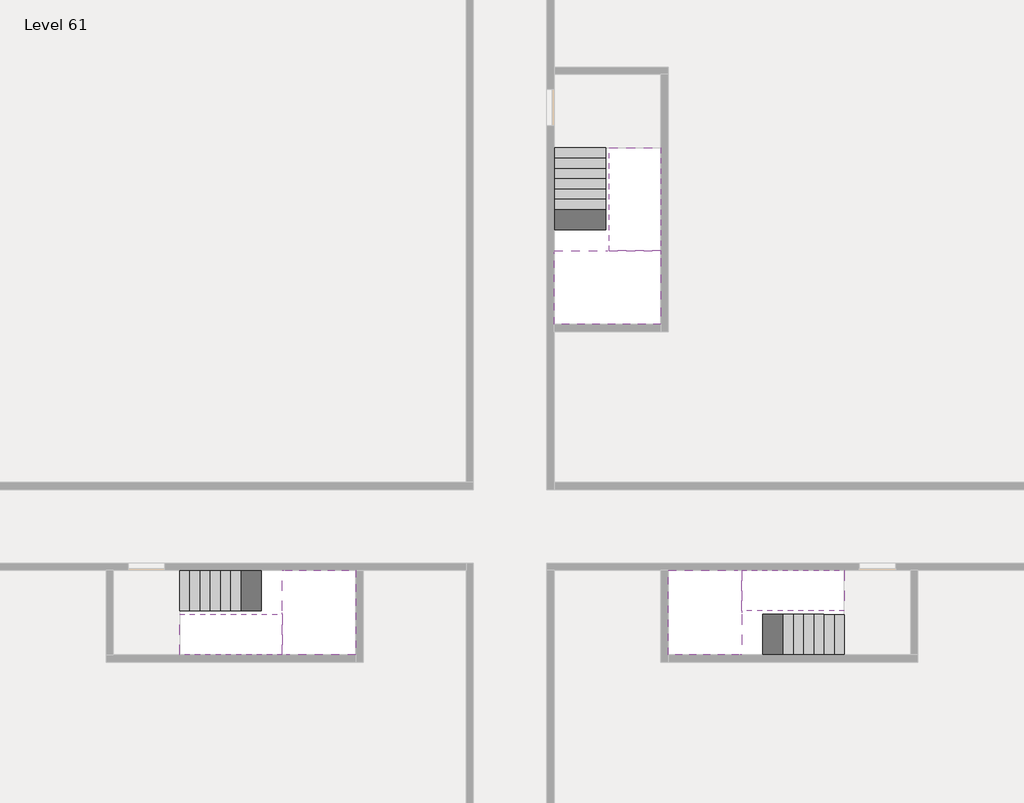
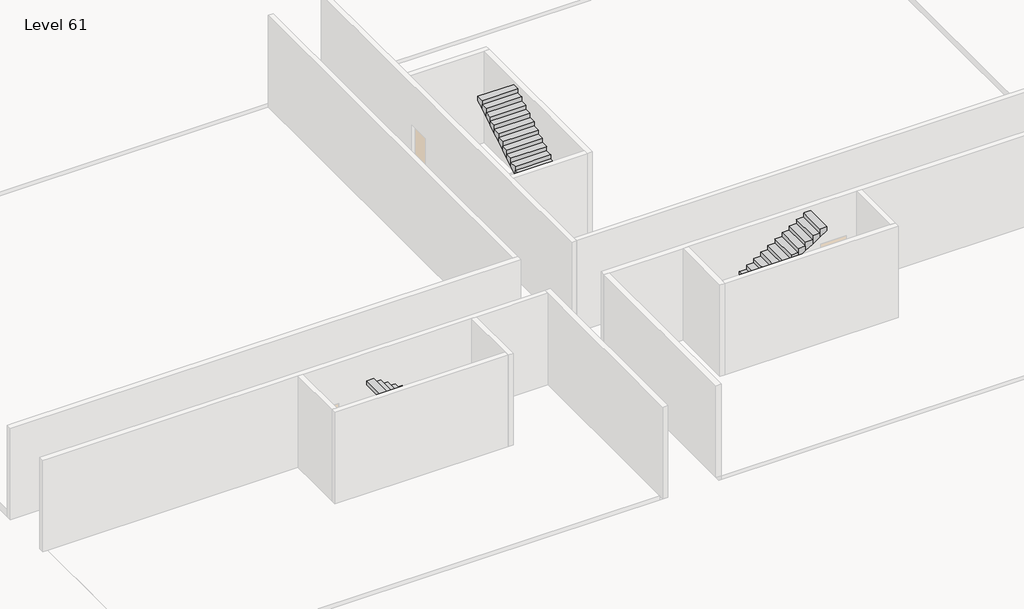
# One storey, part 2 of 2: 6 stair flights, 3 slabs.
"""IFC4 building model written with IfcOpenShell, lengths in millimetres."""

from ifc_helpers import new_model, si_unit, origin, place, context, project, spatial, faceted_brep, element, save

model = new_model("IFC4")

# Units and contexts
model_context = context("Model", 3, world=origin())
ifc_project = project(units=[si_unit("LENGTHUNIT", "METRE", prefix="MILLI")], contexts=[model_context])

# Site, building, storey
site = spatial("IfcSite", under=ifc_project)
building = spatial("IfcBuilding", under=site)
storey = spatial("IfcBuildingStorey", under=building, Name="Level 61", Elevation=228000.0)

# Slabs
placement = place(None, origin())
element("IfcSlab", 1, at=placement, inside=storey, context=model_context, shape_type="Brep", body=[
    faceted_brep([(26790.1058784, -34218.09644, 229900.0), (25390.1058784, -34218.09644, 229900.0), (25390.1058784, -34297.4828763, 229900.0), (25390.1058784, -36218.09644, 229900.0), (28290.1058784, -36218.09644, 229900.0), (28290.1058784, -34418.7100038, 229900.0), (28290.1058784, -34218.09644, 229900.0), (26890.1058784, -34218.09644, 229900.0), (26790.1058784, -34218.09644, 229600.0), (26790.1058784, -34218.09644, 229551.0278478), (25390.1058784, -34218.09644, 229551.0278478), (25390.1058784, -34218.09644, 229727.2727273), (25390.1058784, -34297.4828763, 229600.0), (25390.1058784, -36218.09644, 229600.0), (28290.1058784, -36218.09644, 229600.0), (28290.1058784, -34418.7100038, 229600.0), (28290.1058784, -34218.09644, 229723.7551205), (26890.1058784, -34218.09644, 229723.7551205), (26890.1058784, -34218.09644, 229600.0), (26890.1058784, -34418.7100038, 229600.0), (26790.1058784, -34297.4828763, 229600.0)], [[[0, 1, 2, 3, 4, 5, 6, 7]], [[1, 0, 8, 9, 10, 11]], [[1, 11, 10, 12, 13, 3, 2]], [[4, 3, 13, 14]], [[4, 14, 15, 16, 6, 5]], [[7, 6, 16, 17]], [[0, 7, 17, 18, 8]], [[18, 19, 15, 14, 13, 12, 20, 8]], [[19, 18, 17]], [[20, 12, 10, 9]], [[8, 20, 9]], [[15, 19, 17, 16]]]),
])
element("IfcSlab", 2, at=placement, inside=storey, context=model_context, shape_type="Brep", body=[
    faceted_brep([(30490.1058784, -45218.09644, 229900.0), (30490.1058784, -44118.09644, 229900.0), (30490.1058784, -44018.09644, 229900.0), (30490.1058784, -42918.09644, 229900.0), (30289.4923146, -42918.09644, 229900.0), (28490.1058784, -42918.09644, 229900.0), (28490.1058784, -45218.09644, 229900.0), (30410.7194421, -45218.09644, 229900.0), (30490.1058784, -45218.09644, 229727.2727273), (30490.1058784, -45218.09644, 229551.0278478), (30490.1058784, -44118.09644, 229551.0278478), (30490.1058784, -44118.09644, 229600.0), (30490.1058784, -44018.09644, 229600.0), (30490.1058784, -44018.09644, 229723.7551205), (30490.1058784, -42918.09644, 229723.7551205), (30289.4923146, -42918.09644, 229600.0), (28490.1058784, -42918.09644, 229600.0), (28490.1058784, -45218.09644, 229600.0), (30410.7194421, -45218.09644, 229600.0), (30289.4923146, -44018.09644, 229600.0), (30410.7194421, -44118.09644, 229600.0)], [[[0, 1, 2, 3, 4, 5, 6, 7]], [[1, 0, 8, 9, 10, 11]], [[2, 1, 11, 12, 13]], [[3, 2, 13, 14]], [[3, 14, 15, 16, 5, 4]], [[6, 5, 16, 17]], [[9, 8, 0, 7, 6, 17, 18]], [[19, 12, 11, 20, 18, 17, 16, 15]], [[12, 19, 13]], [[18, 20, 10, 9]], [[20, 11, 10]], [[19, 15, 14, 13]]]),
])
element("IfcSlab", 3, at=placement, inside=storey, context=model_context, shape_type="Brep", body=[
    faceted_brep([(17990.1058784, -42918.09644, 229900.0), (17990.1058784, -44018.09644, 229900.0), (17990.1058784, -44118.09644, 229900.0), (17990.1058784, -45218.09644, 229900.0), (18190.7194421, -45218.09644, 229900.0), (19990.1058784, -45218.09644, 229900.0), (19990.1058784, -42918.09644, 229900.0), (18069.4923146, -42918.09644, 229900.0), (17990.1058784, -42918.09644, 229727.2727273), (17990.1058784, -42918.09644, 229551.0278478), (17990.1058784, -44018.09644, 229551.0278478), (17990.1058784, -44018.09644, 229600.0), (17990.1058784, -44118.09644, 229600.0), (17990.1058784, -44118.09644, 229723.7551205), (17990.1058784, -45218.09644, 229723.7551205), (18190.7194421, -45218.09644, 229600.0), (19990.1058784, -45218.09644, 229600.0), (19990.1058784, -42918.09644, 229600.0), (18069.4923146, -42918.09644, 229600.0), (18190.7194421, -44118.09644, 229600.0), (18069.4923146, -44018.09644, 229600.0)], [[[0, 1, 2, 3, 4, 5, 6, 7]], [[1, 0, 8, 9, 10, 11]], [[2, 1, 11, 12, 13]], [[3, 2, 13, 14]], [[3, 14, 15, 16, 5, 4]], [[6, 5, 16, 17]], [[9, 8, 0, 7, 6, 17, 18]], [[19, 12, 11, 20, 18, 17, 16, 15]], [[12, 19, 13]], [[18, 20, 10, 9]], [[20, 11, 10]], [[19, 15, 14, 13]]]),
])

# Stair flights
element("IfcStairFlight", 4, at=placement, inside=storey, context=model_context, shape_type="Brep", body=[
    faceted_brep([(26790.1058784, -31698.09644, 228172.7272727), (26790.1058784, -31418.09644, 228172.7272727), (25390.1058784, -31418.09644, 228172.7272727), (25390.1058784, -31698.09644, 228172.7272727), (26790.1058784, -31698.09644, 228000.0), (26790.1058784, -31418.09644, 228000.0), (25390.1058784, -31418.09644, 228000.0), (25390.1058784, -31698.09644, 228000.0), (26790.1058784, -31978.09644, 228345.4545455), (26790.1058784, -31698.09644, 228345.4545455), (25390.1058784, -31698.09644, 228345.4545455), (25390.1058784, -31978.09644, 228345.4545455), (26790.1058784, -31978.09644, 228169.209666), (26790.1058784, -31703.7986657, 228000.0), (25390.1058784, -31703.7986657, 228000.0), (25390.1058784, -31978.09644, 228169.209666), (26790.1058784, -32258.09644, 228518.1818182), (26790.1058784, -31978.09644, 228518.1818182), (25390.1058784, -31978.09644, 228518.1818182), (25390.1058784, -32258.09644, 228518.1818182), (26790.1058784, -32258.09644, 228341.9369387), (25390.1058784, -32258.09644, 228341.9369387), (26790.1058784, -32538.09644, 228690.9090909), (26790.1058784, -32258.09644, 228690.9090909), (25390.1058784, -32258.09644, 228690.9090909), (25390.1058784, -32538.09644, 228690.9090909), (26790.1058784, -32538.09644, 228514.6642114), (25390.1058784, -32538.09644, 228514.6642114), (26790.1058784, -32818.09644, 228863.6363636), (26790.1058784, -32538.09644, 228863.6363636), (25390.1058784, -32538.09644, 228863.6363636), (25390.1058784, -32818.09644, 228863.6363636), (26790.1058784, -32818.09644, 228687.3914841), (25390.1058784, -32818.09644, 228687.3914841), (26790.1058784, -33098.09644, 229036.3636364), (26790.1058784, -32818.09644, 229036.3636364), (25390.1058784, -32818.09644, 229036.3636364), (25390.1058784, -33098.09644, 229036.3636364), (26790.1058784, -33098.09644, 228860.1187569), (25390.1058784, -33098.09644, 228860.1187569), (26790.1058784, -33378.09644, 229209.0909091), (26790.1058784, -33098.09644, 229209.0909091), (25390.1058784, -33098.09644, 229209.0909091), (25390.1058784, -33378.09644, 229209.0909091), (26790.1058784, -33378.09644, 229032.8460296), (25390.1058784, -33378.09644, 229032.8460296), (26790.1058784, -33658.09644, 229381.8181818), (26790.1058784, -33378.09644, 229381.8181818), (25390.1058784, -33378.09644, 229381.8181818), (25390.1058784, -33658.09644, 229381.8181818), (26790.1058784, -33658.09644, 229205.5733023), (25390.1058784, -33658.09644, 229205.5733023), (26790.1058784, -33938.09644, 229554.5454545), (26790.1058784, -33658.09644, 229554.5454545), (25390.1058784, -33658.09644, 229554.5454545), (25390.1058784, -33938.09644, 229554.5454545), (26790.1058784, -33938.09644, 229378.3005751), (25390.1058784, -33938.09644, 229378.3005751), (26790.1058784, -34218.09644, 229727.2727273), (26790.1058784, -33938.09644, 229727.2727273), (25390.1058784, -33938.09644, 229727.2727273), (25390.1058784, -34218.09644, 229727.2727273), (26790.1058784, -34218.09644, 229600.0), (26790.1058784, -34218.09644, 229551.0278478), (25390.1058784, -34218.09644, 229551.0278478)], [[[0, 1, 2, 3]], [[1, 0, 4, 5]], [[2, 1, 5, 6]], [[3, 2, 6, 7]], [[8, 9, 10, 11]], [[4, 0, 9, 8, 12, 13]], [[0, 3, 10, 9]], [[3, 7, 14, 15, 11, 10]], [[16, 17, 18, 19]], [[17, 16, 20, 12, 8]], [[8, 11, 18, 17]], [[19, 18, 11, 15, 21]], [[22, 23, 24, 25]], [[23, 22, 26, 20, 16]], [[16, 19, 24, 23]], [[25, 24, 19, 21, 27]], [[28, 29, 30, 31]], [[29, 28, 32, 26, 22]], [[22, 25, 30, 29]], [[31, 30, 25, 27, 33]], [[34, 35, 36, 37]], [[35, 34, 38, 32, 28]], [[28, 31, 36, 35]], [[37, 36, 31, 33, 39]], [[40, 41, 42, 43]], [[41, 40, 44, 38, 34]], [[34, 37, 42, 41]], [[43, 42, 37, 39, 45]], [[46, 47, 48, 49]], [[47, 46, 50, 44, 40]], [[40, 43, 48, 47]], [[49, 48, 43, 45, 51]], [[52, 53, 54, 55]], [[53, 52, 56, 50, 46]], [[46, 49, 54, 53]], [[55, 54, 49, 51, 57]], [[58, 59, 60, 61]], [[59, 58, 62, 63, 56, 52]], [[52, 55, 60, 59]], [[61, 60, 55, 57, 64]], [[58, 61, 64, 63, 62]], [[5, 4, 13, 14, 7, 6]], [[14, 13, 12, 20, 26, 32, 38, 44, 50, 56, 63, 64, 57, 51, 45, 39, 33, 27, 21, 15]]]),
])
element("IfcStairFlight", 5, at=placement, inside=storey, context=model_context, shape_type="Brep", body=[
    faceted_brep([(26890.1058784, -33938.09644, 230072.7272727), (26890.1058784, -34218.09644, 230072.7272727), (28290.1058784, -34218.09644, 230072.7272727), (28290.1058784, -33938.09644, 230072.7272727), (26890.1058784, -33938.09644, 229896.4823932), (26890.1058784, -34218.09644, 229723.7551205), (28290.1058784, -34218.09644, 229723.7551205), (28290.1058784, -34218.09644, 229900.0), (28290.1058784, -33938.09644, 229896.4823932), (26890.1058784, -33658.09644, 230245.4545455), (26890.1058784, -33938.09644, 230245.4545455), (28290.1058784, -33938.09644, 230245.4545455), (28290.1058784, -33658.09644, 230245.4545455), (26890.1058784, -33658.09644, 230069.209666), (28290.1058784, -33658.09644, 230069.209666), (26890.1058784, -33378.09644, 230418.1818182), (26890.1058784, -33658.09644, 230418.1818182), (28290.1058784, -33658.09644, 230418.1818182), (28290.1058784, -33378.09644, 230418.1818182), (26890.1058784, -33378.09644, 230241.9369387), (28290.1058784, -33378.09644, 230241.9369387), (26890.1058784, -33098.09644, 230590.9090909), (26890.1058784, -33378.09644, 230590.9090909), (28290.1058784, -33378.09644, 230590.9090909), (28290.1058784, -33098.09644, 230590.9090909), (26890.1058784, -33098.09644, 230414.6642114), (28290.1058784, -33098.09644, 230414.6642114), (26890.1058784, -32818.09644, 230763.6363636), (26890.1058784, -33098.09644, 230763.6363636), (28290.1058784, -33098.09644, 230763.6363636), (28290.1058784, -32818.09644, 230763.6363636), (26890.1058784, -32818.09644, 230587.3914841), (28290.1058784, -32818.09644, 230587.3914841), (26890.1058784, -32538.09644, 230936.3636364), (26890.1058784, -32818.09644, 230936.3636364), (28290.1058784, -32818.09644, 230936.3636364), (28290.1058784, -32538.09644, 230936.3636364), (26890.1058784, -32538.09644, 230760.1187569), (28290.1058784, -32538.09644, 230760.1187569), (26890.1058784, -32258.09644, 231109.0909091), (26890.1058784, -32538.09644, 231109.0909091), (28290.1058784, -32538.09644, 231109.0909091), (28290.1058784, -32258.09644, 231109.0909091), (26890.1058784, -32258.09644, 230932.8460296), (28290.1058784, -32258.09644, 230932.8460296), (26890.1058784, -31978.09644, 231281.8181818), (26890.1058784, -32258.09644, 231281.8181818), (28290.1058784, -32258.09644, 231281.8181818), (28290.1058784, -31978.09644, 231281.8181818), (26890.1058784, -31978.09644, 231105.5733023), (28290.1058784, -31978.09644, 231105.5733023), (26890.1058784, -31698.09644, 231454.5454545), (26890.1058784, -31978.09644, 231454.5454545), (28290.1058784, -31978.09644, 231454.5454545), (28290.1058784, -31698.09644, 231454.5454545), (26890.1058784, -31698.09644, 231278.3005751), (28290.1058784, -31698.09644, 231278.3005751), (26890.1058784, -31418.09644, 231627.2727273), (26890.1058784, -31698.09644, 231627.2727273), (28290.1058784, -31698.09644, 231627.2727273), (28290.1058784, -31418.09644, 231627.2727273), (26890.1058784, -31418.09644, 231451.0278478), (28290.1058784, -31418.09644, 231451.0278478)], [[[0, 1, 2, 3]], [[1, 0, 4, 5]], [[2, 1, 5, 6, 7]], [[3, 2, 7, 6, 8]], [[9, 10, 11, 12]], [[10, 9, 13, 4, 0]], [[11, 10, 0, 3]], [[12, 11, 3, 8, 14]], [[15, 16, 17, 18]], [[16, 15, 19, 13, 9]], [[17, 16, 9, 12]], [[18, 17, 12, 14, 20]], [[21, 22, 23, 24]], [[22, 21, 25, 19, 15]], [[23, 22, 15, 18]], [[24, 23, 18, 20, 26]], [[27, 28, 29, 30]], [[28, 27, 31, 25, 21]], [[29, 28, 21, 24]], [[30, 29, 24, 26, 32]], [[33, 34, 35, 36]], [[34, 33, 37, 31, 27]], [[35, 34, 27, 30]], [[36, 35, 30, 32, 38]], [[39, 40, 41, 42]], [[40, 39, 43, 37, 33]], [[41, 40, 33, 36]], [[42, 41, 36, 38, 44]], [[45, 46, 47, 48]], [[46, 45, 49, 43, 39]], [[47, 46, 39, 42]], [[48, 47, 42, 44, 50]], [[51, 52, 53, 54]], [[52, 51, 55, 49, 45]], [[53, 52, 45, 48]], [[54, 53, 48, 50, 56]], [[57, 58, 59, 60]], [[58, 57, 61, 55, 51]], [[59, 58, 51, 54]], [[60, 59, 54, 56, 62]], [[57, 60, 62, 61]], [[5, 4, 13, 19, 25, 31, 37, 43, 49, 55, 61, 62, 56, 50, 44, 38, 32, 26, 20, 14, 8, 6]]]),
])
element("IfcStairFlight", 6, at=placement, inside=storey, context=model_context, shape_type="Brep", body=[
    faceted_brep([(33010.1058784, -45218.09644, 228172.7272727), (33290.1058784, -45218.09644, 228172.7272727), (33290.1058784, -44118.09644, 228172.7272727), (33010.1058784, -44118.09644, 228172.7272727), (33010.1058784, -45218.09644, 228000.0), (33290.1058784, -45218.09644, 228000.0), (33290.1058784, -44118.09644, 228000.0), (33010.1058784, -44118.09644, 228000.0), (32730.1058784, -45218.09644, 228345.4545455), (33010.1058784, -45218.09644, 228345.4545455), (33010.1058784, -44118.09644, 228345.4545455), (32730.1058784, -44118.09644, 228345.4545455), (32730.1058784, -45218.09644, 228169.209666), (33004.4036527, -45218.09644, 228000.0), (33004.4036527, -44118.09644, 228000.0), (32730.1058784, -44118.09644, 228169.209666), (32450.1058784, -45218.09644, 228518.1818182), (32730.1058784, -45218.09644, 228518.1818182), (32730.1058784, -44118.09644, 228518.1818182), (32450.1058784, -44118.09644, 228518.1818182), (32450.1058784, -45218.09644, 228341.9369387), (32450.1058784, -44118.09644, 228341.9369387), (32170.1058784, -45218.09644, 228690.9090909), (32450.1058784, -45218.09644, 228690.9090909), (32450.1058784, -44118.09644, 228690.9090909), (32170.1058784, -44118.09644, 228690.9090909), (32170.1058784, -45218.09644, 228514.6642114), (32170.1058784, -44118.09644, 228514.6642114), (31890.1058784, -45218.09644, 228863.6363636), (32170.1058784, -45218.09644, 228863.6363636), (32170.1058784, -44118.09644, 228863.6363636), (31890.1058784, -44118.09644, 228863.6363636), (31890.1058784, -45218.09644, 228687.3914841), (31890.1058784, -44118.09644, 228687.3914841), (31610.1058784, -45218.09644, 229036.3636364), (31890.1058784, -45218.09644, 229036.3636364), (31890.1058784, -44118.09644, 229036.3636364), (31610.1058784, -44118.09644, 229036.3636364), (31610.1058784, -45218.09644, 228860.1187569), (31610.1058784, -44118.09644, 228860.1187569), (31330.1058784, -45218.09644, 229209.0909091), (31610.1058784, -45218.09644, 229209.0909091), (31610.1058784, -44118.09644, 229209.0909091), (31330.1058784, -44118.09644, 229209.0909091), (31330.1058784, -45218.09644, 229032.8460296), (31330.1058784, -44118.09644, 229032.8460296), (31050.1058784, -45218.09644, 229381.8181818), (31330.1058784, -45218.09644, 229381.8181818), (31330.1058784, -44118.09644, 229381.8181818), (31050.1058784, -44118.09644, 229381.8181818), (31050.1058784, -45218.09644, 229205.5733023), (31050.1058784, -44118.09644, 229205.5733023), (30770.1058784, -45218.09644, 229554.5454545), (31050.1058784, -45218.09644, 229554.5454545), (31050.1058784, -44118.09644, 229554.5454545), (30770.1058784, -44118.09644, 229554.5454545), (30770.1058784, -45218.09644, 229378.3005751), (30770.1058784, -44118.09644, 229378.3005751), (30490.1058784, -45218.09644, 229727.2727273), (30770.1058784, -45218.09644, 229727.2727273), (30770.1058784, -44118.09644, 229727.2727273), (30490.1058784, -44118.09644, 229727.2727273), (30490.1058784, -45218.09644, 229551.0278478), (30490.1058784, -44118.09644, 229551.0278478), (30490.1058784, -44118.09644, 229600.0)], [[[0, 1, 2, 3]], [[1, 0, 4, 5]], [[2, 1, 5, 6]], [[3, 2, 6, 7]], [[8, 9, 10, 11]], [[4, 0, 9, 8, 12, 13]], [[0, 3, 10, 9]], [[3, 7, 14, 15, 11, 10]], [[16, 17, 18, 19]], [[17, 16, 20, 12, 8]], [[8, 11, 18, 17]], [[19, 18, 11, 15, 21]], [[22, 23, 24, 25]], [[23, 22, 26, 20, 16]], [[16, 19, 24, 23]], [[25, 24, 19, 21, 27]], [[28, 29, 30, 31]], [[29, 28, 32, 26, 22]], [[22, 25, 30, 29]], [[31, 30, 25, 27, 33]], [[34, 35, 36, 37]], [[35, 34, 38, 32, 28]], [[28, 31, 36, 35]], [[37, 36, 31, 33, 39]], [[40, 41, 42, 43]], [[41, 40, 44, 38, 34]], [[34, 37, 42, 41]], [[43, 42, 37, 39, 45]], [[46, 47, 48, 49]], [[47, 46, 50, 44, 40]], [[40, 43, 48, 47]], [[49, 48, 43, 45, 51]], [[52, 53, 54, 55]], [[53, 52, 56, 50, 46]], [[46, 49, 54, 53]], [[55, 54, 49, 51, 57]], [[58, 59, 60, 61]], [[59, 58, 62, 56, 52]], [[52, 55, 60, 59]], [[61, 60, 55, 57, 63, 64]], [[58, 61, 64, 63, 62]], [[5, 4, 13, 14, 7, 6]], [[14, 13, 12, 20, 26, 32, 38, 44, 50, 56, 62, 63, 57, 51, 45, 39, 33, 27, 21, 15]]]),
])
element("IfcStairFlight", 7, at=placement, inside=storey, context=model_context, shape_type="Brep", body=[
    faceted_brep([(30770.1058784, -42918.09644, 230072.7272727), (30490.1058784, -42918.09644, 230072.7272727), (30490.1058784, -44018.09644, 230072.7272727), (30770.1058784, -44018.09644, 230072.7272727), (30770.1058784, -42918.09644, 229896.4823932), (30490.1058784, -42918.09644, 229723.7551205), (30490.1058784, -42918.09644, 229900.0), (30490.1058784, -44018.09644, 229723.7551205), (30770.1058784, -44018.09644, 229896.4823932), (31050.1058784, -42918.09644, 230245.4545455), (30770.1058784, -42918.09644, 230245.4545455), (30770.1058784, -44018.09644, 230245.4545455), (31050.1058784, -44018.09644, 230245.4545455), (31050.1058784, -42918.09644, 230069.209666), (31050.1058784, -44018.09644, 230069.209666), (31330.1058784, -42918.09644, 230418.1818182), (31050.1058784, -42918.09644, 230418.1818182), (31050.1058784, -44018.09644, 230418.1818182), (31330.1058784, -44018.09644, 230418.1818182), (31330.1058784, -42918.09644, 230241.9369387), (31330.1058784, -44018.09644, 230241.9369387), (31610.1058784, -42918.09644, 230590.9090909), (31330.1058784, -42918.09644, 230590.9090909), (31330.1058784, -44018.09644, 230590.9090909), (31610.1058784, -44018.09644, 230590.9090909), (31610.1058784, -42918.09644, 230414.6642114), (31610.1058784, -44018.09644, 230414.6642114), (31890.1058784, -42918.09644, 230763.6363636), (31610.1058784, -42918.09644, 230763.6363636), (31610.1058784, -44018.09644, 230763.6363636), (31890.1058784, -44018.09644, 230763.6363636), (31890.1058784, -42918.09644, 230587.3914841), (31890.1058784, -44018.09644, 230587.3914841), (32170.1058784, -42918.09644, 230936.3636364), (31890.1058784, -42918.09644, 230936.3636364), (31890.1058784, -44018.09644, 230936.3636364), (32170.1058784, -44018.09644, 230936.3636364), (32170.1058784, -42918.09644, 230760.1187569), (32170.1058784, -44018.09644, 230760.1187569), (32450.1058784, -42918.09644, 231109.0909091), (32170.1058784, -42918.09644, 231109.0909091), (32170.1058784, -44018.09644, 231109.0909091), (32450.1058784, -44018.09644, 231109.0909091), (32450.1058784, -42918.09644, 230932.8460296), (32450.1058784, -44018.09644, 230932.8460296), (32730.1058784, -42918.09644, 231281.8181818), (32450.1058784, -42918.09644, 231281.8181818), (32450.1058784, -44018.09644, 231281.8181818), (32730.1058784, -44018.09644, 231281.8181818), (32730.1058784, -42918.09644, 231105.5733023), (32730.1058784, -44018.09644, 231105.5733023), (33010.1058784, -42918.09644, 231454.5454545), (32730.1058784, -42918.09644, 231454.5454545), (32730.1058784, -44018.09644, 231454.5454545), (33010.1058784, -44018.09644, 231454.5454545), (33010.1058784, -42918.09644, 231278.3005751), (33010.1058784, -44018.09644, 231278.3005751), (33290.1058784, -42918.09644, 231627.2727273), (33010.1058784, -42918.09644, 231627.2727273), (33010.1058784, -44018.09644, 231627.2727273), (33290.1058784, -44018.09644, 231627.2727273), (33290.1058784, -42918.09644, 231451.0278478), (33290.1058784, -44018.09644, 231451.0278478)], [[[0, 1, 2, 3]], [[1, 0, 4, 5, 6]], [[2, 1, 6, 5, 7]], [[3, 2, 7, 8]], [[9, 10, 11, 12]], [[10, 9, 13, 4, 0]], [[11, 10, 0, 3]], [[12, 11, 3, 8, 14]], [[15, 16, 17, 18]], [[16, 15, 19, 13, 9]], [[17, 16, 9, 12]], [[18, 17, 12, 14, 20]], [[21, 22, 23, 24]], [[22, 21, 25, 19, 15]], [[23, 22, 15, 18]], [[24, 23, 18, 20, 26]], [[27, 28, 29, 30]], [[28, 27, 31, 25, 21]], [[29, 28, 21, 24]], [[30, 29, 24, 26, 32]], [[33, 34, 35, 36]], [[34, 33, 37, 31, 27]], [[35, 34, 27, 30]], [[36, 35, 30, 32, 38]], [[39, 40, 41, 42]], [[40, 39, 43, 37, 33]], [[41, 40, 33, 36]], [[42, 41, 36, 38, 44]], [[45, 46, 47, 48]], [[46, 45, 49, 43, 39]], [[47, 46, 39, 42]], [[48, 47, 42, 44, 50]], [[51, 52, 53, 54]], [[52, 51, 55, 49, 45]], [[53, 52, 45, 48]], [[54, 53, 48, 50, 56]], [[57, 58, 59, 60]], [[58, 57, 61, 55, 51]], [[59, 58, 51, 54]], [[60, 59, 54, 56, 62]], [[57, 60, 62, 61]], [[5, 4, 13, 19, 25, 31, 37, 43, 49, 55, 61, 62, 56, 50, 44, 38, 32, 26, 20, 14, 8, 7]]]),
])
element("IfcStairFlight", 8, at=placement, inside=storey, context=model_context, shape_type="Brep", body=[
    faceted_brep([(15470.1058784, -42918.09644, 228172.7272727), (15190.1058784, -42918.09644, 228172.7272727), (15190.1058784, -44018.09644, 228172.7272727), (15470.1058784, -44018.09644, 228172.7272727), (15470.1058784, -42918.09644, 228000.0), (15190.1058784, -42918.09644, 228000.0), (15190.1058784, -44018.09644, 228000.0), (15470.1058784, -44018.09644, 228000.0), (15750.1058784, -42918.09644, 228345.4545455), (15470.1058784, -42918.09644, 228345.4545455), (15470.1058784, -44018.09644, 228345.4545455), (15750.1058784, -44018.09644, 228345.4545455), (15750.1058784, -42918.09644, 228169.209666), (15475.8081041, -42918.09644, 228000.0), (15475.8081041, -44018.09644, 228000.0), (15750.1058784, -44018.09644, 228169.209666), (16030.1058784, -42918.09644, 228518.1818182), (15750.1058784, -42918.09644, 228518.1818182), (15750.1058784, -44018.09644, 228518.1818182), (16030.1058784, -44018.09644, 228518.1818182), (16030.1058784, -42918.09644, 228341.9369387), (16030.1058784, -44018.09644, 228341.9369387), (16310.1058784, -42918.09644, 228690.9090909), (16030.1058784, -42918.09644, 228690.9090909), (16030.1058784, -44018.09644, 228690.9090909), (16310.1058784, -44018.09644, 228690.9090909), (16310.1058784, -42918.09644, 228514.6642114), (16310.1058784, -44018.09644, 228514.6642114), (16590.1058784, -42918.09644, 228863.6363636), (16310.1058784, -42918.09644, 228863.6363636), (16310.1058784, -44018.09644, 228863.6363636), (16590.1058784, -44018.09644, 228863.6363636), (16590.1058784, -42918.09644, 228687.3914841), (16590.1058784, -44018.09644, 228687.3914841), (16870.1058784, -42918.09644, 229036.3636364), (16590.1058784, -42918.09644, 229036.3636364), (16590.1058784, -44018.09644, 229036.3636364), (16870.1058784, -44018.09644, 229036.3636364), (16870.1058784, -42918.09644, 228860.1187569), (16870.1058784, -44018.09644, 228860.1187569), (17150.1058784, -42918.09644, 229209.0909091), (16870.1058784, -42918.09644, 229209.0909091), (16870.1058784, -44018.09644, 229209.0909091), (17150.1058784, -44018.09644, 229209.0909091), (17150.1058784, -42918.09644, 229032.8460296), (17150.1058784, -44018.09644, 229032.8460296), (17430.1058784, -42918.09644, 229381.8181818), (17150.1058784, -42918.09644, 229381.8181818), (17150.1058784, -44018.09644, 229381.8181818), (17430.1058784, -44018.09644, 229381.8181818), (17430.1058784, -42918.09644, 229205.5733023), (17430.1058784, -44018.09644, 229205.5733023), (17710.1058784, -42918.09644, 229554.5454545), (17430.1058784, -42918.09644, 229554.5454545), (17430.1058784, -44018.09644, 229554.5454545), (17710.1058784, -44018.09644, 229554.5454545), (17710.1058784, -42918.09644, 229378.3005751), (17710.1058784, -44018.09644, 229378.3005751), (17990.1058784, -42918.09644, 229727.2727273), (17710.1058784, -42918.09644, 229727.2727273), (17710.1058784, -44018.09644, 229727.2727273), (17990.1058784, -44018.09644, 229727.2727273), (17990.1058784, -42918.09644, 229551.0278478), (17990.1058784, -44018.09644, 229551.0278478), (17990.1058784, -44018.09644, 229600.0)], [[[0, 1, 2, 3]], [[1, 0, 4, 5]], [[2, 1, 5, 6]], [[3, 2, 6, 7]], [[8, 9, 10, 11]], [[4, 0, 9, 8, 12, 13]], [[0, 3, 10, 9]], [[3, 7, 14, 15, 11, 10]], [[16, 17, 18, 19]], [[17, 16, 20, 12, 8]], [[8, 11, 18, 17]], [[19, 18, 11, 15, 21]], [[22, 23, 24, 25]], [[23, 22, 26, 20, 16]], [[16, 19, 24, 23]], [[25, 24, 19, 21, 27]], [[28, 29, 30, 31]], [[29, 28, 32, 26, 22]], [[22, 25, 30, 29]], [[31, 30, 25, 27, 33]], [[34, 35, 36, 37]], [[35, 34, 38, 32, 28]], [[28, 31, 36, 35]], [[37, 36, 31, 33, 39]], [[40, 41, 42, 43]], [[41, 40, 44, 38, 34]], [[34, 37, 42, 41]], [[43, 42, 37, 39, 45]], [[46, 47, 48, 49]], [[47, 46, 50, 44, 40]], [[40, 43, 48, 47]], [[49, 48, 43, 45, 51]], [[52, 53, 54, 55]], [[53, 52, 56, 50, 46]], [[46, 49, 54, 53]], [[55, 54, 49, 51, 57]], [[58, 59, 60, 61]], [[59, 58, 62, 56, 52]], [[52, 55, 60, 59]], [[61, 60, 55, 57, 63, 64]], [[58, 61, 64, 63, 62]], [[5, 4, 13, 14, 7, 6]], [[14, 13, 12, 20, 26, 32, 38, 44, 50, 56, 62, 63, 57, 51, 45, 39, 33, 27, 21, 15]]]),
])
element("IfcStairFlight", 9, at=placement, inside=storey, context=model_context, shape_type="Brep", body=[
    faceted_brep([(17710.1058784, -45218.09644, 230072.7272727), (17990.1058784, -45218.09644, 230072.7272727), (17990.1058784, -44118.09644, 230072.7272727), (17710.1058784, -44118.09644, 230072.7272727), (17710.1058784, -45218.09644, 229896.4823932), (17990.1058784, -45218.09644, 229723.7551205), (17990.1058784, -45218.09644, 229900.0), (17990.1058784, -44118.09644, 229723.7551205), (17710.1058784, -44118.09644, 229896.4823932), (17430.1058784, -45218.09644, 230245.4545455), (17710.1058784, -45218.09644, 230245.4545455), (17710.1058784, -44118.09644, 230245.4545455), (17430.1058784, -44118.09644, 230245.4545455), (17430.1058784, -45218.09644, 230069.209666), (17430.1058784, -44118.09644, 230069.209666), (17150.1058784, -45218.09644, 230418.1818182), (17430.1058784, -45218.09644, 230418.1818182), (17430.1058784, -44118.09644, 230418.1818182), (17150.1058784, -44118.09644, 230418.1818182), (17150.1058784, -45218.09644, 230241.9369387), (17150.1058784, -44118.09644, 230241.9369387), (16870.1058784, -45218.09644, 230590.9090909), (17150.1058784, -45218.09644, 230590.9090909), (17150.1058784, -44118.09644, 230590.9090909), (16870.1058784, -44118.09644, 230590.9090909), (16870.1058784, -45218.09644, 230414.6642114), (16870.1058784, -44118.09644, 230414.6642114), (16590.1058784, -45218.09644, 230763.6363636), (16870.1058784, -45218.09644, 230763.6363636), (16870.1058784, -44118.09644, 230763.6363636), (16590.1058784, -44118.09644, 230763.6363636), (16590.1058784, -45218.09644, 230587.3914841), (16590.1058784, -44118.09644, 230587.3914841), (16310.1058784, -45218.09644, 230936.3636364), (16590.1058784, -45218.09644, 230936.3636364), (16590.1058784, -44118.09644, 230936.3636364), (16310.1058784, -44118.09644, 230936.3636364), (16310.1058784, -45218.09644, 230760.1187569), (16310.1058784, -44118.09644, 230760.1187569), (16030.1058784, -45218.09644, 231109.0909091), (16310.1058784, -45218.09644, 231109.0909091), (16310.1058784, -44118.09644, 231109.0909091), (16030.1058784, -44118.09644, 231109.0909091), (16030.1058784, -45218.09644, 230932.8460296), (16030.1058784, -44118.09644, 230932.8460296), (15750.1058784, -45218.09644, 231281.8181818), (16030.1058784, -45218.09644, 231281.8181818), (16030.1058784, -44118.09644, 231281.8181818), (15750.1058784, -44118.09644, 231281.8181818), (15750.1058784, -45218.09644, 231105.5733023), (15750.1058784, -44118.09644, 231105.5733023), (15470.1058784, -45218.09644, 231454.5454545), (15750.1058784, -45218.09644, 231454.5454545), (15750.1058784, -44118.09644, 231454.5454545), (15470.1058784, -44118.09644, 231454.5454545), (15470.1058784, -45218.09644, 231278.3005751), (15470.1058784, -44118.09644, 231278.3005751), (15190.1058784, -45218.09644, 231627.2727273), (15470.1058784, -45218.09644, 231627.2727273), (15470.1058784, -44118.09644, 231627.2727273), (15190.1058784, -44118.09644, 231627.2727273), (15190.1058784, -45218.09644, 231451.0278478), (15190.1058784, -44118.09644, 231451.0278478)], [[[0, 1, 2, 3]], [[1, 0, 4, 5, 6]], [[2, 1, 6, 5, 7]], [[3, 2, 7, 8]], [[9, 10, 11, 12]], [[10, 9, 13, 4, 0]], [[11, 10, 0, 3]], [[12, 11, 3, 8, 14]], [[15, 16, 17, 18]], [[16, 15, 19, 13, 9]], [[17, 16, 9, 12]], [[18, 17, 12, 14, 20]], [[21, 22, 23, 24]], [[22, 21, 25, 19, 15]], [[23, 22, 15, 18]], [[24, 23, 18, 20, 26]], [[27, 28, 29, 30]], [[28, 27, 31, 25, 21]], [[29, 28, 21, 24]], [[30, 29, 24, 26, 32]], [[33, 34, 35, 36]], [[34, 33, 37, 31, 27]], [[35, 34, 27, 30]], [[36, 35, 30, 32, 38]], [[39, 40, 41, 42]], [[40, 39, 43, 37, 33]], [[41, 40, 33, 36]], [[42, 41, 36, 38, 44]], [[45, 46, 47, 48]], [[46, 45, 49, 43, 39]], [[47, 46, 39, 42]], [[48, 47, 42, 44, 50]], [[51, 52, 53, 54]], [[52, 51, 55, 49, 45]], [[53, 52, 45, 48]], [[54, 53, 48, 50, 56]], [[57, 58, 59, 60]], [[58, 57, 61, 55, 51]], [[59, 58, 51, 54]], [[60, 59, 54, 56, 62]], [[57, 60, 62, 61]], [[5, 4, 13, 19, 25, 31, 37, 43, 49, 55, 61, 62, 56, 50, 44, 38, 32, 26, 20, 14, 8, 7]]]),
])

save(model, "model.ifc")
